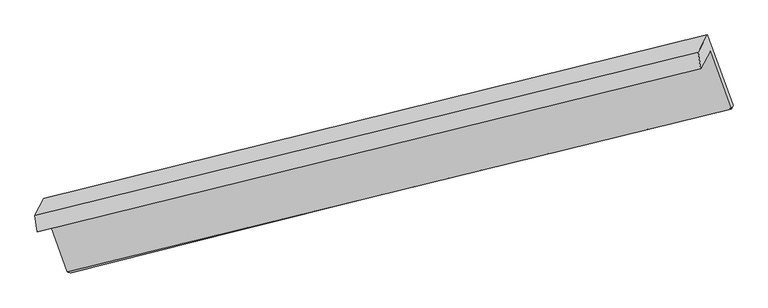
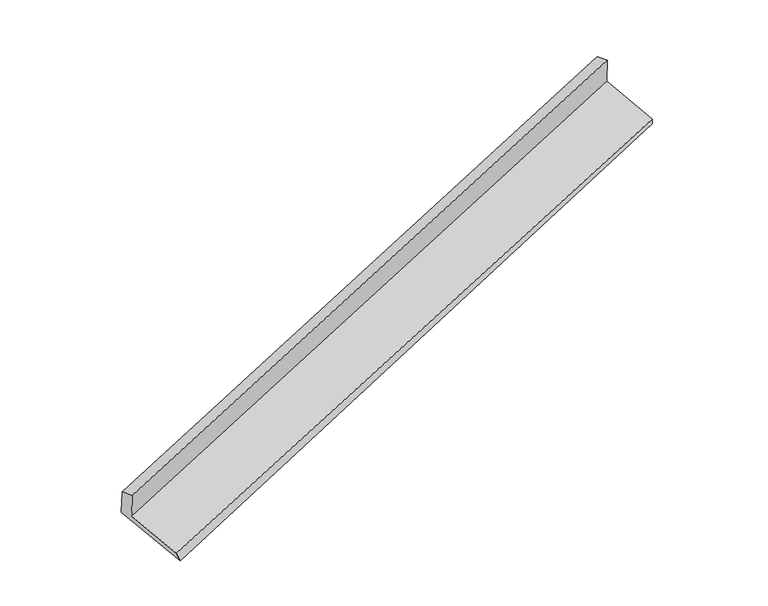
"""IFC4 building model written with IfcOpenShell, lengths in millimetres: proxy geometry."""

from ifc_helpers import new_model, si_unit, frame, origin, place, context, project, spatial, source, transform, mapped, element, save
from ifc_brep_helpers import plane_surface, spline_surface, advanced_brep


def generic_models_d4259c4d(model_context):
    return source(origin(), model_context, "Body", "AdvancedBrep", [
        advanced_brep(
        [(-5961.1045316, -2225.0365086, 1267.8749938), (-5878.3505397, -2070.4660136, 907.3134334), (93.2091116, -596.7405328, 2881.6531517), (9.3867403, -753.3065802, 3246.8696722), (-5983.1816469, -2073.5969547, 1222.1685958), (-12.690375, -601.8670263, 3201.1632742), (-5901.9753481, -1921.9172893, 868.3503797), (69.9554803, -447.4985122, 2841.0728681), (-5658.1753129, -2593.7928679, 636.2770702), (300.7783526, -1083.6110161, 2621.352523), (-5692.4435174, -2582.7973103, 730.3484962), (282.3604246, -1118.0125982, 2701.5999734)],
        [
            (0, 1),
            (1, 2),
            (2, 3),
            (3, 0),
            (4, 0),
            (3, 5),
            (5, 4),
            (6, 4),
            (5, 7),
            (7, 6),
            (8, 6),
            (7, 9),
            (9, 8),
            (10, 8),
            (9, 11),
            (11, 10),
            (1, 10),
            (11, 2),
        ],
        [
            plane_surface(frame((-5919.7275357, -2147.7512611, 1087.5942136), z_axis=(0.3229996650986488, -0.8944287808856737, -0.3093030427744423), x_axis=(0.20640506551665264, 0.3855298385442322, -0.8993129002305731))),
            plane_surface(frame((-5972.1430892, -2149.3167316, 1245.0217948), z_axis=(-0.35566958524743864, 0.22214393150585446, 0.9078277478822936), x_axis=(0.1382240410881087, -0.9481577138025924, 0.28616614793143197))),
            plane_surface(frame((-5942.5784975, -1997.757122, 1045.2594878), z_axis=(-0.3229996650986484, 0.8944287808856739, 0.3093030427744418), x_axis=(-0.2064050655166524, -0.38552983854423145, 0.8993129002305734))),
            plane_surface(frame((-5780.0753305, -2257.8550786, 752.3137249), z_axis=(0.20254859536280978, 0.38457432863355556, -0.9005979415214111), x_axis=(-0.32442907398468956, 0.8940768674925662, 0.3088241100822879))),
            spline_surface(1, 1, [[(-5692.4435174, -2582.7973103, 730.3484962), (282.3604246, -1118.0125982, 2701.5999734)], [(-5658.1753129, -2593.7928679, 636.2770702), (300.7783526, -1083.6110161, 2621.352523)]], [2, 2], [2, 2], [0.0, 1.0], [0.0, 1.0]),
            plane_surface(frame((-5785.3970285, -2326.631662, 818.8309648), z_axis=(-0.20280580129727568, -0.3846382374309885, 0.9005127613011116), x_axis=(0.3244290739846946, -0.8940768674925642, -0.30882411008228866))),
            plane_surface(frame((123.8332891, -766.8393776, 2915.6185771), z_axis=(0.9231157700323962, 0.22802039076963396, 0.3096190829240984), x_axis=(-0.32442907398468956, 0.8940768674925662, 0.3088241100822879))),
            plane_surface(frame((-5845.8718161, -2244.6011574, 938.7221615), z_axis=(-0.923115770032393, -0.22802039076964348, -0.30961908292410095), x_axis=(-0.20640506551665158, -0.38552983854423184, 0.8993129002305734))),
        ],
        [
            (0, [[1, 2, 3, 4]]),
            (1, [[5, -4, 6, 7]]),
            (2, [[8, -7, 9, 10]]),
            (3, [[11, -10, 12, 13]]),
            (4, [[14, -13, 15, 16]]),
            (5, [[17, -16, 18, -2]]),
            (6, [[-12, -9, -6, -3, -18, -15]]),
            (7, [[-1, -5, -8, -11, -14, -17]]),
        ],
    ),
    ])


if __name__ == "__main__":
    model = new_model("IFC4")
    model_context = context("Model", 3, world=origin())
    ifc_project = project(units=[si_unit("LENGTHUNIT", "METRE", prefix="MILLI")], contexts=[model_context])
    site = spatial("IfcSite", under=ifc_project)
    building = spatial("IfcBuilding", under=site)
    placement = place(None, origin())
    generic_models_shape = generic_models_d4259c4d(model_context)
    element("IfcBuildingElementProxy", 1, Name="Generic Models", at=placement, inside=building, context=model_context, shape_type="MappedRepresentation", body=[
        mapped(generic_models_shape, transform((0.0, 0.0, 0.0), x_axis=(1.0, 0.0, 0.0), y_axis=(0.0, 1.0, 0.0), z_axis=(0.0, 0.0, 1.0))),
    ])
    save(model, "model.ifc")
